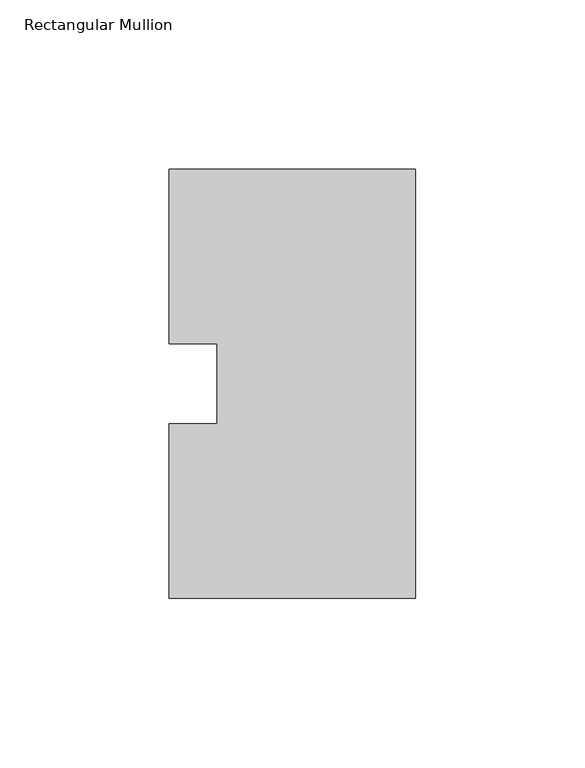
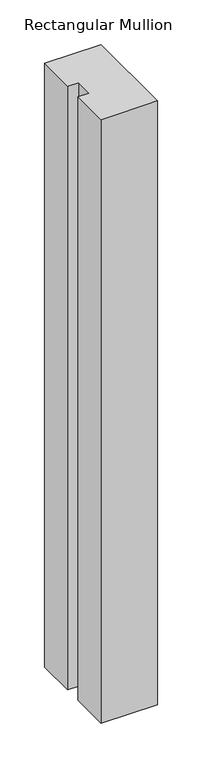
"""IFC4 building model written with IfcOpenShell, lengths in millimetres: member geometry, Rectangular Mullion."""

from ifc_helpers import new_model, si_unit, frame, origin, place, context, project, spatial, polyline, outline, extrude, source, transform, mapped, element, save


def rectangular_mullion_f1e93e3a(model_context):
    return source(origin(), model_context, "Body", "SweptSolid", [
        extrude(outline(polyline([(0.0, 127.00635), (0.0, 0.00635), (-73.025, 0.00635), (-73.025, 51.60645), (-58.7375, 51.60645), (-58.7375, 75.40625), (-73.025, 75.40625), (-73.025, 127.00635), (0.0, 127.00635)])), frame((0.0, 0.0, -825.5177772), z_axis=(0.0, 0.0, 1.0), x_axis=(1.0, 0.0, 0.0)), (0.0, 0.0, 1.0), 825.5177772),
    ])


if __name__ == "__main__":
    model = new_model("IFC4")
    model_context = context("Model", 3, world=origin())
    ifc_project = project(units=[si_unit("LENGTHUNIT", "METRE", prefix="MILLI")], contexts=[model_context])
    site = spatial("IfcSite", under=ifc_project)
    building = spatial("IfcBuilding", under=site)
    placement = place(None, origin())
    rectangular_mullion_shape = rectangular_mullion_f1e93e3a(model_context)
    element("IfcMember", 1, ObjectType="Rectangular Mullion", at=placement, inside=building, context=model_context, shape_type="MappedRepresentation", body=[
        mapped(rectangular_mullion_shape, transform((0.0, 0.0, 0.0), x_axis=(1.0, 0.0, 0.0), y_axis=(0.0, 1.0, 0.0), z_axis=(0.0, 0.0, 1.0))),
    ])
    save(model, "model.ifc")
